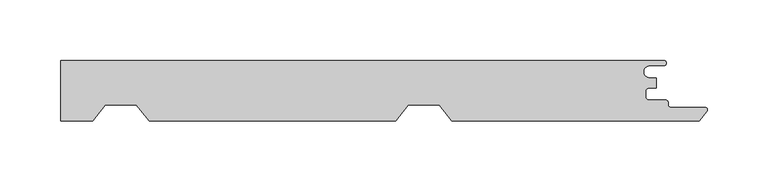
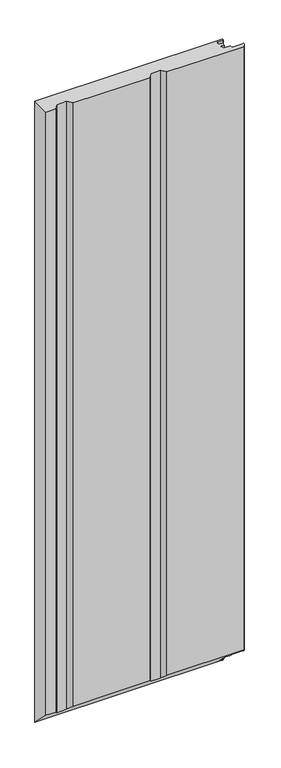
"""IFC4 building model written with IfcOpenShell, lengths in millimetres: proxy geometry."""

from ifc_helpers import new_model, si_unit, frame, origin, place, context, project, spatial, polyline, circle_curve, ellipse_curve, source, transform, mapped, element, save
from ifc_brep_helpers import plane_surface, cylinder_surface, revolved_surface, advanced_brep


def generic_models_0edadbb8(model_context):
    return source(origin(), model_context, "Body", "AdvancedBrep", [
        advanced_brep(
        [(497.8, 20.6, 1750.0), (500.0, 22.8, 1750.0), (497.8, 25.0, 1750.0), (0.0, 25.0, 1750.0), (0.0, -25.0, 1750.0), (26.6156808, -25.0, 1750.0), (37.0155837, -12.0, 1750.0), (62.6000971, -12.0, 1750.0), (73.0, -25.0, 1750.0), (276.6156808, -25.0, 1750.0), (287.0155837, -12.0, 1750.0), (312.6000971, -12.0, 1750.0), (323.0, -25.0, 1750.0), (527.1673425, -25.0, 1750.0), (533.3977704, -17.2119652, 1750.0), (531.7579459, -13.8001056, 1750.0), (503.3603917, -13.8001056, 1750.0), (501.3603917, -11.8001056, 1750.0), (501.3603917, -9.8331556, 1750.0), (499.3603917, -7.8331556, 1750.0), (485.634822, -7.8331556, 1750.0), (482.8848221, -5.0831556, 1750.0), (482.8848221, -0.5831555, 1750.0), (485.634822, 2.1668444, 1750.0), (491.826199, 2.1668444, 1750.0), (491.826199, 10.5637731, 1750.0), (486.1740239, 10.5637731, 1750.0), (486.1740239, 20.6, 1750.0), (486.1740239, 20.6, 4.4), (497.8, 20.6, 4.4), (486.1740239, 10.5637731, 14.4362269), (491.826199, 10.5637731, 14.4362269), (499.3603917, -7.8331556, 32.8331556), (485.634822, -7.8331556, 32.8331556), (501.3603917, -9.8331556, 34.8331556), (501.3603917, -11.8001056, 36.8001056), (503.3603917, -13.8001056, 38.8001056), (531.7579459, -13.8001056, 38.8001056), (533.3977704, -17.2119652, 42.2119652), (527.1673425, -25.0, 50.0), (323.0, -25.0, 50.0), (73.0, -25.0, 50.0), (276.6156808, -25.0, 50.0), (0.0, -25.0, 50.0), (26.6156808, -25.0, 50.0), (497.8, 25.0, 0.0), (0.0, 25.0, 0.0), (500.0, 22.8, 2.2), (485.634822, 2.1668444, 22.8331556), (491.826199, 2.1668444, 22.8331556), (482.8848221, -0.5831555, 25.5831555), (482.8848221, -5.0831556, 30.0831556), (287.0155837, -12.0, 37.0), (312.6000971, -12.0, 37.0), (37.0155837, -12.0, 37.0), (62.6000971, -12.0, 37.0)],
        [
            (0, 1, circle_curve(frame((497.8, 22.8, 1750.0), z_axis=(0.0, 0.0, 1.0), x_axis=(1.0, 0.0, 0.0)), 2.2)),
            (1, 2, circle_curve(frame((497.8, 22.8, 1750.0), z_axis=(0.0, 0.0, 1.0), x_axis=(1.0, 0.0, 0.0)), 2.2)),
            (2, 3),
            (3, 4),
            (4, 5),
            (5, 6),
            (6, 7),
            (7, 8),
            (8, 9),
            (9, 10),
            (10, 11),
            (11, 12),
            (12, 13),
            (13, 14),
            (14, 15, circle_curve(frame((531.7579459, -15.9001056, 1750.0), z_axis=(0.0, 0.0, 1.0), x_axis=(1.0, 0.0, 0.0)), 2.1)),
            (15, 16),
            (16, 17, circle_curve(frame((503.3603917, -11.8001056, 1750.0), z_axis=(0.0, 0.0, -1.0), x_axis=(1.0, 0.0, 0.0)), 2.0)),
            (17, 18),
            (18, 19, circle_curve(frame((499.3603917, -9.8331556, 1750.0), z_axis=(0.0, 0.0, 1.0), x_axis=(1.0, 0.0, 0.0)), 2.0)),
            (19, 20),
            (20, 21, circle_curve(frame((485.634822, -5.0831556, 1750.0), z_axis=(0.0, 0.0, -1.0), x_axis=(1.0, 0.0, 0.0)), 2.7499999)),
            (21, 22),
            (22, 23, circle_curve(frame((485.634822, -0.5831555, 1750.0), z_axis=(0.0, 0.0, -1.0), x_axis=(1.0, 0.0, 0.0)), 2.7499999)),
            (23, 24),
            (24, 25),
            (25, 26),
            (26, 27, circle_curve(frame((486.1740239, 15.5818865, 1750.0), z_axis=(0.0, 0.0, -1.0), x_axis=(1.0, 0.0, 0.0)), 5.0181135)),
            (27, 0),
            (27, 28),
            (28, 29),
            (29, 0),
            (26, 30),
            (30, 28, ellipse_curve(frame((486.1740239, 15.5818865, 9.4181135), z_axis=(0.0, -0.7071067811865517, -0.7071067811865434), x_axis=(0.0, 0.7071067811865434, -0.7071067811865517)), 7.0966841, 5.0181135)),
            (25, 31),
            (31, 30),
            (19, 32),
            (32, 33),
            (33, 20),
            (18, 34),
            (34, 32, ellipse_curve(frame((499.3603917, -9.8331556, 34.8331556), z_axis=(0.0, 0.7071067811865517, 0.7071067811865434), x_axis=(0.0, -0.7071067811865434, 0.7071067811865517)), 2.8284271, 2.0)),
            (17, 35),
            (35, 34),
            (16, 36),
            (36, 35, ellipse_curve(frame((503.3603917, -11.8001056, 36.8001056), z_axis=(0.0, -0.7071067811865517, -0.7071067811865434), x_axis=(0.0, 0.7071067811865434, -0.7071067811865517)), 2.8284271, 2.0)),
            (15, 37),
            (37, 36),
            (14, 38),
            (38, 37, ellipse_curve(frame((531.7579459, -15.9001056, 40.9001056), z_axis=(0.0, 0.7071067811865517, 0.7071067811865434), x_axis=(0.0, -0.7071067811865434, 0.7071067811865517)), 2.9698485, 2.1)),
            (13, 39),
            (39, 38),
            (12, 40),
            (40, 39),
            (8, 41),
            (41, 42),
            (42, 9),
            (4, 43),
            (43, 44),
            (44, 5),
            (45, 46),
            (46, 3),
            (2, 45),
            (1, 47),
            (47, 45, ellipse_curve(frame((497.8, 22.8, 2.2), z_axis=(0.0, 0.7071067811865517, 0.7071067811865434), x_axis=(0.0, -0.7071067811865434, 0.7071067811865517)), 3.1112698, 2.2)),
            (29, 47, ellipse_curve(frame((497.8, 22.8, 2.2), z_axis=(0.0, 0.7071067811865517, 0.7071067811865434), x_axis=(0.0, -0.7071067811865434, 0.7071067811865517)), 3.1112698, 2.2)),
            (23, 48),
            (48, 49),
            (49, 24),
            (49, 31),
            (22, 50),
            (50, 48, ellipse_curve(frame((485.634822, -0.5831555, 25.5831555), z_axis=(0.0, -0.7071067811865517, -0.7071067811865434), x_axis=(0.0, 0.7071067811865434, -0.7071067811865517)), 3.8890872, 2.7499999)),
            (21, 51),
            (51, 50),
            (33, 51, ellipse_curve(frame((485.634822, -5.0831556, 30.0831556), z_axis=(0.0, -0.7071067811865517, -0.7071067811865434), x_axis=(0.0, 0.7071067811865434, -0.7071067811865517)), 3.8890872, 2.7499999)),
            (42, 52),
            (52, 10),
            (52, 53),
            (53, 11),
            (53, 40),
            (44, 54),
            (54, 6),
            (54, 55),
            (55, 7),
            (55, 41),
            (43, 46),
        ],
        [
            plane_surface(frame((486.1740239, 20.6, 1750.0), z_axis=(0.0, 0.0, 1.0), x_axis=(-1.0, 0.0, 0.0))),
            plane_surface(frame((497.8, 20.6, 1750.0), z_axis=(0.0, -1.0, 0.0), x_axis=(0.0, 0.0, -1.0))),
            revolved_surface(polyline([(491.19213740000004, 15.5818865, 4.4), (491.19213740000004, 15.5818865, 1750.0)]), (486.1740239, 15.5818865, 0.0), (0.0, 0.0, -1.0)),
            plane_surface(frame((486.1740239, 10.5637731, 1750.0), z_axis=(0.0, 1.0, 0.0), x_axis=(0.0, 0.0, -1.0))),
            plane_surface(frame((485.634822, -7.8331556, 1750.0), z_axis=(0.0, 1.0, 0.0), x_axis=(0.0, 0.0, -1.0))),
            cylinder_surface(frame((499.3603917, -9.8331556, 0.0), z_axis=(0.0, 0.0, 1.0), x_axis=(1.0, 0.0, 0.0)), 2.0),
            plane_surface(frame((501.3603917, -9.8331556, 1750.0), z_axis=(1.0, 0.0, 0.0), x_axis=(0.0, 0.0, -1.0))),
            revolved_surface(polyline([(505.3603917, -11.8001056, 34.80010561749819), (505.3603917, -11.8001056, 1750.0)]), (503.3603917, -11.8001056, 0.0), (0.0, 0.0, -1.0)),
            plane_surface(frame((503.3603917, -13.8001056, 1750.0), z_axis=(0.0, 1.0, 0.0), x_axis=(0.0, 0.0, -1.0))),
            cylinder_surface(frame((531.7579459, -15.9001056, 0.0), z_axis=(0.0, 0.0, 1.0), x_axis=(1.0, 0.0, 0.0)), 2.1),
            plane_surface(frame((533.3977704, -17.2119652, 1750.0), z_axis=(0.7808688094430226, -0.6246950475544341, 0.0), x_axis=(0.0, 0.0, -1.0))),
            plane_surface(frame((527.1673425, -25.0, 1750.0), z_axis=(0.0, -1.0, 0.0), x_axis=(0.0, 0.0, -1.0))),
            plane_surface(frame((-498.3, 25.0, 1750.0), z_axis=(0.0, 1.0, 0.0), x_axis=(0.0, 0.0, -1.0))),
            cylinder_surface(frame((497.8, 22.8, 0.0), z_axis=(0.0, 0.0, 1.0), x_axis=(1.0, 0.0, 0.0)), 2.2),
            plane_surface(frame((491.826199, 2.1668444, 1750.0), z_axis=(0.0, -1.0, 0.0), x_axis=(0.0, 0.0, -1.0))),
            plane_surface(frame((491.826199, 10.5637731, 1750.0), z_axis=(1.0, 0.0, 0.0), x_axis=(0.0, 0.0, -1.0))),
            revolved_surface(polyline([(488.38482189999996, -0.5831555, 22.83315556825418), (488.38482189999996, -0.5831555, 1750.0)]), (485.634822, -0.5831555, 0.0), (0.0, 0.0, -1.0)),
            plane_surface(frame((482.8848221, -0.5831555, 1750.0), z_axis=(1.0, 0.0, 0.0), x_axis=(0.0, 0.0, -1.0))),
            revolved_surface(polyline([(488.38482189999996, -5.0831556, 27.333155668254182), (488.38482189999996, -5.0831556, 1750.0)]), (485.634822, -5.0831556, 0.0), (0.0, 0.0, -1.0)),
            plane_surface(frame((276.6156808, -25.0, 1750.0), z_axis=(0.780871653239246, -0.6246914927925679, 0.0), x_axis=(0.0, 0.0, -1.0))),
            plane_surface(frame((287.0155837, -12.0, 1750.0), z_axis=(0.0, -1.0, 0.0), x_axis=(0.0, 0.0, -1.0))),
            plane_surface(frame((312.6000971, -12.0, 1750.0), z_axis=(-0.78087165323875, -0.6246914927931878, 0.0), x_axis=(0.0, 0.0, -1.0))),
            plane_surface(frame((26.6156808, -25.0, 1750.0), z_axis=(0.7808716532392458, -0.624691492792568, 0.0), x_axis=(0.0, 0.0, -1.0))),
            plane_surface(frame((37.0155837, -12.0, 1750.0), z_axis=(0.0, -1.0, 0.0), x_axis=(0.0, 0.0, -1.0))),
            plane_surface(frame((62.6000971, -12.0, 1750.0), z_axis=(-0.78087165323875, -0.6246914927931878, 0.0), x_axis=(0.0, 0.0, -1.0))),
            plane_surface(frame((589.1510425, -25.0, 50.0), z_axis=(0.0, -0.7071067811865517, -0.7071067811865434), x_axis=(-1.0, 0.0, 0.0))),
            plane_surface(frame((0.0, 25.0, 1750.0), z_axis=(-1.0, 0.0, 0.0), x_axis=(0.0, 0.0, -1.0))),
        ],
        [
            (0, [[1, 2, 3, 4, 5, 6, 7, 8, 9, 10, 11, 12, 13, 14, 15, 16, 17, 18, 19, 20, 21, 22, 23, 24, 25, 26, 27, 28]]),
            (1, [[29, 30, 31, -28]]),
            (2, [[32, 33, -29, -27]]),
            (3, [[34, 35, -32, -26]]),
            (4, [[36, 37, 38, -20]]),
            (5, [[39, 40, -36, -19]]),
            (6, [[41, 42, -39, -18]]),
            (7, [[43, 44, -41, -17]]),
            (8, [[45, 46, -43, -16]]),
            (9, [[47, 48, -45, -15]]),
            (10, [[49, 50, -47, -14]]),
            (11, [[-13, 51, 52, -49]]),
            (11, [[-9, 53, 54, 55]]),
            (11, [[-5, 56, 57, 58]]),
            (12, [[59, 60, -3, 61]]),
            (13, [[62, 63, -61, -2]]),
            (13, [[-31, 64, -62, -1]]),
            (14, [[65, 66, 67, -24]]),
            (15, [[-67, 68, -34, -25]]),
            (16, [[69, 70, -65, -23]]),
            (17, [[71, 72, -69, -22]]),
            (18, [[-38, 73, -71, -21]]),
            (19, [[-10, -55, 74, 75]]),
            (20, [[76, 77, -11, -75]]),
            (21, [[78, -51, -12, -77]]),
            (22, [[-6, -58, 79, 80]]),
            (23, [[81, 82, -7, -80]]),
            (24, [[83, -53, -8, -82]]),
            (25, [[-33, -35, -68, -66, -70, -72, -73, -37, -40, -42, -44, -46, -48, -50, -52, -78, -76, -74, -54, -83, -81, -79, -57, 84, -59, -63, -64, -30]]),
            (26, [[-60, -84, -56, -4]]),
        ],
    ),
    ])


if __name__ == "__main__":
    model = new_model("IFC4")
    model_context = context("Model", 3, world=origin())
    ifc_project = project(units=[si_unit("LENGTHUNIT", "METRE", prefix="MILLI")], contexts=[model_context])
    site = spatial("IfcSite", under=ifc_project)
    building = spatial("IfcBuilding", under=site)
    placement = place(None, origin())
    generic_models_shape = generic_models_0edadbb8(model_context)
    element("IfcBuildingElementProxy", 1, Name="Generic Models", at=placement, inside=building, context=model_context, shape_type="MappedRepresentation", body=[
        mapped(generic_models_shape, transform((0.0, 0.0, 0.0), x_axis=(1.0, 0.0, 0.0), y_axis=(0.0, 1.0, 0.0), z_axis=(0.0, 0.0, 1.0))),
    ])
    save(model, "model.ifc")
